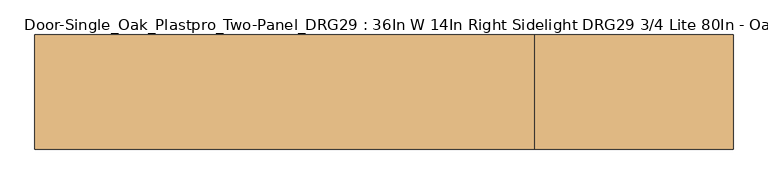
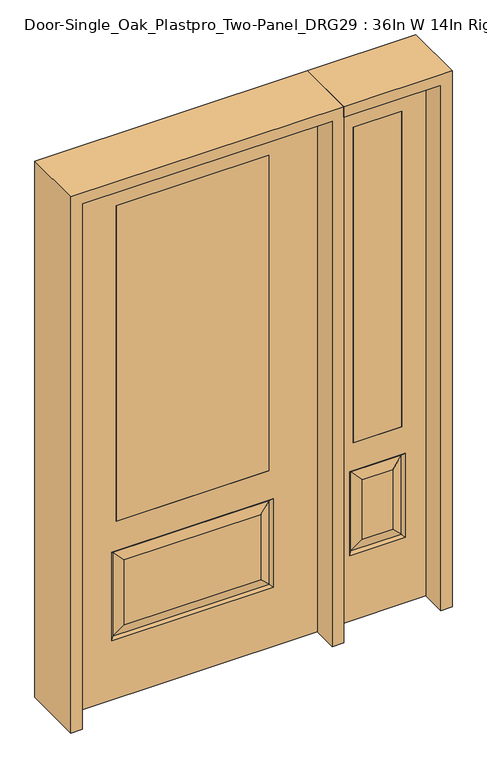
"""IFC4 building model written with IfcOpenShell, lengths in millimetres: door geometry, Door-Single_Oak_Plastpro_Two-Panel_DRG29 : 36In W 14In Right Sidelight DRG29 3/4 Lite 80In - Oak."""

from ifc_helpers import new_model, si_unit, frame, origin, place, context, project, spatial, polyline, outline, extrude, faceted_brep, source, transform, mapped, element, save


def door_single_oak_plastpro_two_panel_drg29_36in_w_14in_right_1a134418(model_context):
    return source(origin(), model_context, "Body", "SolidModel", [
        extrude(outline(polyline([(-279.4, -20.6375), (-279.4, 20.6375), (279.4, 20.6375), (279.4, -20.6375), (-279.4, -20.6375)])), frame((0.0, 0.0, 685.8), z_axis=(0.0, 0.0, 1.0), x_axis=(1.0, 0.0, 0.0)), (0.0, 0.0, 1.0), 1219.2),
        faceted_brep([(-249.1224548, -20.6375, 274.7525452), (249.1224548, -20.6375, 274.7525452), (249.1224548, -20.6375, 525.3474548), (-249.1224548, -20.6375, 525.3474548), (457.2, -20.6375, 2032.0), (-457.2, -20.6375, 2032.0), (-457.2, -20.6375, 0.0), (457.2, -20.6375, 0.0), (295.1599548, -20.6375, 228.7150452), (-295.1599548, -20.6375, 228.7150452), (-295.1599548, -20.6375, 571.3849548), (295.1599548, -20.6375, 571.3849548), (-279.4, -20.6375, 1905.0), (279.4, -20.6375, 1905.0), (279.4, -20.6375, 685.8), (-279.4, -20.6375, 685.8), (-279.4, 20.6375, 1905.0), (-279.4, 20.6375, 685.8), (279.4, 20.6375, 685.8), (249.1224548, 20.6375, 274.7525452), (-249.1224548, 20.6375, 274.7525452), (-249.1224548, 20.6375, 525.3474548), (249.1224548, 20.6375, 525.3474548), (-457.2, 20.6375, 2032.0), (457.2, 20.6375, 2032.0), (457.2, 20.6375, 0.0), (-457.2, 20.6375, 0.0), (-295.1599548, 20.6375, 228.7150452), (295.1599548, 20.6375, 228.7150452), (295.1599548, 20.6375, 571.3849548), (-295.1599548, 20.6375, 571.3849548), (279.4, 20.6375, 1905.0), (286.1796986, -11.6572439, 237.6953014), (-286.1796986, -11.6572439, 237.6953014), (-286.1796986, -11.6572439, 562.4046986), (286.1796986, -11.6572439, 562.4046986), (286.1796986, 11.6572439, 237.6953014), (-286.1796986, 11.6572439, 237.6953014), (-286.1796986, 11.6572439, 562.4046986), (286.1796986, 11.6572439, 562.4046986)], [[[0, 1, 2, 3]], [[4, 5, 6, 7], [8, 9, 10, 11], [12, 13, 14, 15]], [[16, 12, 15, 17]], [[17, 15, 14, 18]], [[19, 20, 21, 22]], [[23, 24, 25, 26], [27, 28, 29, 30], [31, 16, 17, 18]], [[13, 31, 18, 14]], [[6, 26, 25, 7]], [[5, 23, 26, 6]], [[24, 4, 7, 25]], [[32, 33, 9, 8]], [[9, 33, 34, 10]], [[10, 34, 35, 11]], [[32, 8, 11, 35]], [[33, 32, 1, 0]], [[1, 32, 35, 2]], [[34, 3, 2, 35]], [[33, 0, 3, 34]], [[36, 37, 20, 19]], [[20, 37, 38, 21]], [[21, 38, 39, 22]], [[36, 19, 22, 39]], [[37, 36, 28, 27]], [[28, 36, 39, 29]], [[38, 30, 29, 39]], [[37, 27, 30, 38]], [[12, 16, 31, 13]], [[5, 4, 24, 23]]]),
        extrude(outline(polyline([(765.175, -20.6375), (587.375, -20.6375), (587.375, 20.6375), (765.175, 20.6375), (765.175, -20.6375)])), frame((0.0, 0.0, 685.8), z_axis=(0.0, 0.0, 1.0), x_axis=(1.0, 0.0, 0.0)), (0.0, 0.0, 1.0), 1219.2),
        faceted_brep([(765.175, -20.6375, 1905.0), (587.375, -20.6375, 1905.0), (587.375, 20.6375, 1905.0), (765.175, 20.6375, 1905.0), (731.7224548, -20.6375, 531.6974548), (620.8275452, -20.6375, 531.6974548), (620.8275452, -20.6375, 300.1525452), (731.7224548, -20.6375, 300.1525452), (498.475, -20.6375, 2032.0), (498.475, -20.6375, 0.0), (854.075, -20.6375, 0.0), (854.075, -20.6375, 2032.0), (765.175, -20.6375, 685.8), (587.375, -20.6375, 685.8), (777.7599548, -20.6375, 254.1150452), (574.7900452, -20.6375, 254.1150452), (574.7900452, -20.6375, 577.7349548), (777.7599548, -20.6375, 577.7349548), (768.7796986, 11.6572439, 568.7546986), (777.7599548, 20.6375, 577.7349548), (777.7599548, 20.6375, 254.1150452), (768.7796986, 11.6572439, 263.0953014), (583.7703014, 11.6572439, 568.7546986), (574.7900452, 20.6375, 577.7349548), (731.7224548, 20.6375, 300.1525452), (731.7224548, 20.6375, 531.6974548), (765.175, 20.6375, 685.8), (587.375, 20.6375, 685.8), (583.7703014, -11.6572439, 263.0953014), (768.7796986, -11.6572439, 263.0953014), (583.7703014, -11.6572439, 568.7546986), (768.7796986, -11.6572439, 568.7546986), (498.475, 20.6375, 2032.0), (854.075, 20.6375, 2032.0), (498.475, 20.6375, 0.0), (854.075, 20.6375, 0.0), (574.7900452, 20.6375, 254.1150452), (620.8275452, 20.6375, 300.1525452), (620.8275452, 20.6375, 531.6974548), (583.7703014, 11.6572439, 263.0953014)], [[[0, 1, 2, 3]], [[4, 5, 6, 7]], [[8, 9, 10, 11], [0, 12, 13, 1], [14, 15, 16, 17]], [[18, 19, 20, 21]], [[18, 22, 23, 19]], [[21, 24, 25, 18]], [[26, 27, 13, 12]], [[7, 6, 28, 29]], [[6, 5, 30, 28]], [[29, 14, 17, 31]], [[32, 8, 11, 33]], [[34, 35, 10, 9]], [[32, 34, 9, 8]], [[11, 10, 35, 33]], [[33, 35, 34, 32], [19, 23, 36, 20], [2, 27, 26, 3]], [[24, 37, 38, 25]], [[20, 36, 39, 21]], [[36, 23, 22, 39]], [[25, 38, 22, 18]], [[39, 22, 38, 37]], [[21, 39, 37, 24]], [[3, 26, 12, 0]], [[1, 13, 27, 2]], [[31, 4, 7, 29]], [[31, 30, 5, 4]], [[17, 16, 30, 31]], [[28, 30, 16, 15]], [[29, 28, 15, 14]]]),
        extrude(outline(polyline([(2073.275, -498.475), (0.0, -498.475), (0.0, -457.2), (2032.0, -457.2), (2032.0, 457.2), (0.0, 457.2), (0.0, 498.475), (2073.275, 498.475), (2073.275, -498.475)])), frame((0.0, -114.3, 0.0), z_axis=(0.0, 1.0, 0.0), x_axis=(0.0, 0.0, 1.0)), (0.0, 0.0, 1.0), 228.6),
        extrude(outline(polyline([(0.0, 854.075), (0.0, 895.35), (2073.275, 895.35), (2073.275, 498.475), (2032.0, 498.475), (2032.0, 854.075), (0.0, 854.075)])), frame((0.0, -114.3, 0.0), z_axis=(0.0, 1.0, 0.0), x_axis=(0.0, 0.0, 1.0)), (0.0, 0.0, 1.0), 228.6),
    ])


if __name__ == "__main__":
    model = new_model("IFC4")
    model_context = context("Model", 3, world=origin())
    ifc_project = project(units=[si_unit("LENGTHUNIT", "METRE", prefix="MILLI")], contexts=[model_context])
    site = spatial("IfcSite", under=ifc_project)
    building = spatial("IfcBuilding", under=site)
    placement = place(None, origin())
    door_single_oak_plastpro_two_panel_drg29_36in_w_14in_right_shape = door_single_oak_plastpro_two_panel_drg29_36in_w_14in_right_1a134418(model_context)
    element("IfcDoor", 1, ObjectType="Door-Single_Oak_Plastpro_Two-Panel_DRG29 : 36In W 14In Right Sidelight DRG29 3/4 Lite 80In - Oak", at=placement, inside=building, context=model_context, shape_type="MappedRepresentation", body=[
        mapped(door_single_oak_plastpro_two_panel_drg29_36in_w_14in_right_shape, transform((0.0, 0.0, 0.0), x_axis=(1.0, 0.0, 0.0), y_axis=(0.0, 1.0, 0.0), z_axis=(0.0, 0.0, 1.0))),
    ])
    save(model, "model.ifc")
